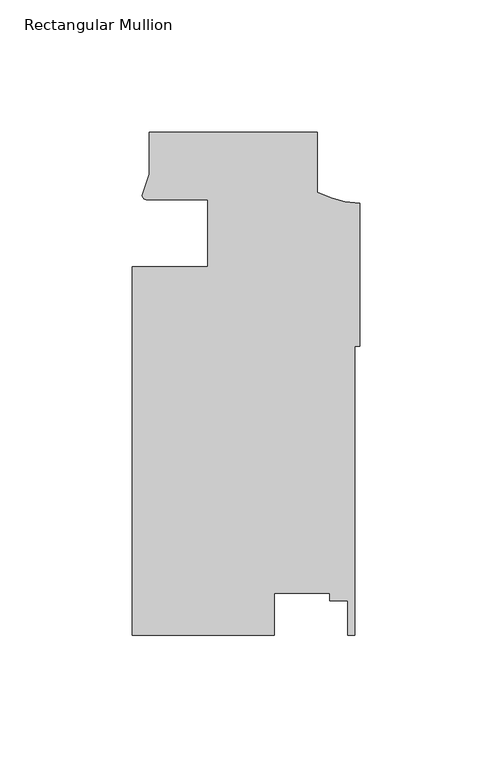
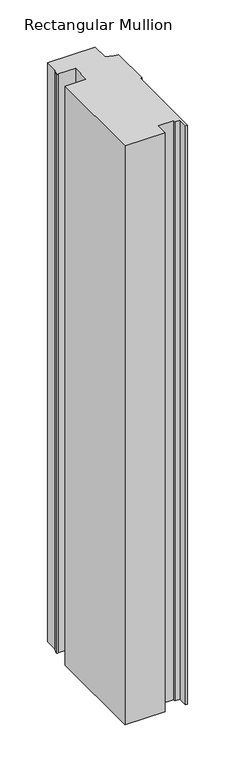
"""IFC4 building model written with IfcOpenShell, lengths in millimetres: member geometry, Rectangular Mullion."""

import ifcopenshell
import ifcopenshell.guid

model = None  # the IFC model being written
_history = None  # IfcOwnerHistory: only IFC2X3 demands one
_inside = {}  # id of a spatial element -> (the spatial element, [elements in it])
_under = {}  # id of a project, library or spatial element -> (it, [spatial elements below it])
_declared = {}  # id of a project -> (the project, [libraries it declares])
_typed = {}  # id of a type object -> (the type object, [elements of that type])
_made_of = {}  # id of a material, layer set ... -> (it, [elements and type objects made of it])


def new_model(schema):
    """Start an empty IFC model of exactly this schema.

    Asked for "IFC4X3", IfcOpenShell would pick the latest addendum, in which some entities
    have other attributes; the version numbers below select the first issue.
    IFC2X3 requires an IfcOwnerHistory on every rooted entity: one is made here for all.
    """
    global model, _history
    if schema == "IFC4X3":
        model = ifcopenshell.file(schema_version=(4, 3, 0, 0))
    else:
        model = ifcopenshell.file(schema=schema)
    _inside.clear()
    _under.clear()
    _declared.clear()
    _typed.clear()
    _made_of.clear()
    _history = None
    if model.schema == "IFC2X3":
        org = make("IfcOrganization", Name="unknown")
        user = make(
            "IfcPersonAndOrganization",
            ThePerson=make("IfcPerson", FamilyName="unknown"),
            TheOrganization=org,
        )
        app = make(
            "IfcApplication",
            ApplicationDeveloper=org,
            Version="unknown",
            ApplicationFullName="unknown",
            ApplicationIdentifier="unknown",
        )
        _history = make(
            "IfcOwnerHistory",
            OwningUser=user,
            OwningApplication=app,
            ChangeAction="ADDED",
            CreationDate=0,
        )
    return model


def make(cls, **values):
    """One entity of the class cls with the attributes given. An attribute that is None is left unset."""
    return model.create_entity(
        cls, **{name: value for name, value in values.items() if value is not None}
    )


def rooted(cls, **values):
    """An entity with a GlobalId (a new one), such as an element, a storey or a relation."""
    return make(cls, GlobalId=ifcopenshell.guid.new(), OwnerHistory=_history, **values)


def si_unit(unit_type, name, prefix=None):
    """IfcSIUnit, for example si_unit("LENGTHUNIT", "METRE", prefix="MILLI")."""
    return make("IfcSIUnit", UnitType=unit_type, Prefix=prefix, Name=name)


def assignment(units):
    """IfcUnitAssignment: the units of a project."""
    return None if units is None else make("IfcUnitAssignment", Units=units)


def point(xyz):
    """IfcCartesianPoint."""
    return None if xyz is None else make("IfcCartesianPoint", Coordinates=xyz)


def direction(xyz):
    """IfcDirection."""
    return None if xyz is None else make("IfcDirection", DirectionRatios=xyz)


def frame(location, z_axis=None, x_axis=None):
    """IfcAxis2Placement3D, a coordinate frame: its origin and axes. An axis left out is left unset."""
    return make(
        "IfcAxis2Placement3D",
        Location=point(location),
        Axis=direction(z_axis),
        RefDirection=direction(x_axis),
    )


def frame_2d(location, x_axis=None):
    """IfcAxis2Placement2D, a coordinate frame in the plane: its origin and x axis."""
    return make(
        "IfcAxis2Placement2D", Location=point(location), RefDirection=direction(x_axis)
    )


def origin():
    """The frame at (0, 0, 0) with its axes left unset."""
    return frame((0.0, 0.0, 0.0))


def place(relative_to, where):
    """IfcLocalPlacement: puts the frame where relative to a parent placement (None: the world)."""
    return make(
        "IfcLocalPlacement", PlacementRelTo=relative_to, RelativePlacement=where
    )


def context(
    kind, dimensions, precision=None, world=None, true_north=None, identifier=None
):
    """IfcGeometricRepresentationContext, for example the 3D "Model" context."""
    return make(
        "IfcGeometricRepresentationContext",
        ContextIdentifier=identifier,
        ContextType=kind,
        CoordinateSpaceDimension=dimensions,
        Precision=precision,
        WorldCoordinateSystem=world,
        TrueNorth=true_north,
    )


def project(units=None, contexts=None):
    """IfcProject with its units and contexts."""
    return rooted(
        "IfcProject",
        Name="project",
        RepresentationContexts=contexts,
        UnitsInContext=assignment(units),
    )


def spatial(cls, under=None, at=None, **own):
    """A site, building, storey or space (cls), placed at a placement, below another one or the project."""
    s = rooted(cls, ObjectPlacement=at, **own)
    if under is not None:
        _under.setdefault(under.id(), (under, []))[1].append(s)
    return s


def polyline(points):
    """IfcPolyline through the points."""
    return make("IfcPolyline", Points=[point(p) for p in points])


def circle_curve(where, radius):
    """IfcCircle in the frame where."""
    return make("IfcCircle", Position=where, Radius=radius)


def trimmed(basis, trim1, trim2, sense, master):
    """IfcTrimmedCurve: the piece of a basis curve between two trims."""
    return make(
        "IfcTrimmedCurve",
        BasisCurve=basis,
        Trim1=trim1,
        Trim2=trim2,
        SenseAgreement=sense,
        MasterRepresentation=master,
    )


def segment(curve, same_sense, transition):
    """IfcCompositeCurveSegment."""
    return make(
        "IfcCompositeCurveSegment",
        Transition=transition,
        SameSense=same_sense,
        ParentCurve=curve,
    )


def composite_curve(segments, self_intersect=None):
    """IfcCompositeCurve: segments joined end to end."""
    return make("IfcCompositeCurve", Segments=segments, SelfIntersect=self_intersect)


def outline(outer, holes=None, kind="AREA"):
    """IfcArbitraryClosedProfileDef: a profile drawn as a closed curve; with holes, ...WithVoids."""
    if holes is None:
        return make("IfcArbitraryClosedProfileDef", ProfileType=kind, OuterCurve=outer)
    return make(
        "IfcArbitraryProfileDefWithVoids",
        ProfileType=kind,
        OuterCurve=outer,
        InnerCurves=holes,
    )


def extrude(swept, where, along, depth):
    """IfcExtrudedAreaSolid: the profile swept, set in the frame where, extruded along a direction by depth."""
    return make(
        "IfcExtrudedAreaSolid",
        SweptArea=swept,
        Position=where,
        ExtrudedDirection=direction(along),
        Depth=depth,
    )


def shape(context_of_items, identifier, shape_type, items):
    """IfcShapeRepresentation: the items that make up one representation, for example the "Body"."""
    return make(
        "IfcShapeRepresentation",
        ContextOfItems=context_of_items,
        RepresentationIdentifier=identifier,
        RepresentationType=shape_type,
        Items=items,
    )


def source(mapping_origin, context_of_items, identifier, shape_type, items):
    """IfcRepresentationMap: a shape defined once, which mapped items show again and again."""
    return make(
        "IfcRepresentationMap",
        MappingOrigin=mapping_origin,
        MappedRepresentation=shape(context_of_items, identifier, shape_type, items),
    )


def transform(
    local_origin,
    x_axis=None,
    y_axis=None,
    z_axis=None,
    scale=None,
    scale2=None,
    scale3=None,
    uniform=True,
):
    """IfcCartesianTransformationOperator3D, or its non-uniform kind. x_axis, y_axis, z_axis: its Axis1, 2, 3."""
    if uniform:
        return make(
            "IfcCartesianTransformationOperator3D",
            Axis1=direction(x_axis),
            Axis2=direction(y_axis),
            LocalOrigin=point(local_origin),
            Scale=scale,
            Axis3=direction(z_axis),
        )
    return make(
        "IfcCartesianTransformationOperator3DnonUniform",
        Axis1=direction(x_axis),
        Axis2=direction(y_axis),
        LocalOrigin=point(local_origin),
        Scale=scale,
        Axis3=direction(z_axis),
        Scale2=scale2,
        Scale3=scale3,
    )


def mapped(mapping_source, mapping_target):
    """IfcMappedItem: shows the shape of a source again, moved by a transform."""
    return make(
        "IfcMappedItem", MappingSource=mapping_source, MappingTarget=mapping_target
    )


def made_of(thing, what):
    """Note that an element or type object is made of a material, layer set ...; save() writes the relation."""
    if what is not None:
        _made_of.setdefault(what.id(), (what, []))[1].append(thing)
    return thing


def element(
    cls,
    number,
    at=None,
    inside=None,
    cuts=None,
    type_object=None,
    material=None,
    context=None,
    identifier="Body",
    shape_type=None,
    held_by="IfcProductDefinitionShape",
    body=None,
    shapes=None,
    **own,
):
    """One element of the class cls, such as IfcWall. Its Tag is "e" and its number.

    at: its placement. inside: the storey or other place that contains it. cuts: it is an
    opening in that element (IfcRelVoidsElement). A single representation is given by context,
    identifier, shape_type and body (its items); several are given by shapes. held_by: the class
    of the entity that holds the representations. save() writes the other relations.
    """
    e = rooted(cls, Tag="e%d" % number, ObjectPlacement=at, **own)
    if body is not None:
        shapes = [shape(context, identifier, shape_type, body)]
    if shapes is not None:
        e.Representation = make(held_by, Representations=shapes)
    if inside is not None:
        _inside.setdefault(inside.id(), (inside, []))[1].append(e)
    if cuts is not None:
        rooted(
            "IfcRelVoidsElement", RelatingBuildingElement=cuts, RelatedOpeningElement=e
        )
    if type_object is not None:
        _typed.setdefault(type_object.id(), (type_object, []))[1].append(e)
    return made_of(e, material)


def aggregate(whole, parts):
    """IfcRelAggregates: a whole, such as a stair, and the parts it consists of."""
    return rooted("IfcRelAggregates", RelatingObject=whole, RelatedObjects=parts)


def save(model, path):
    """Write the relations noted so far, then the file.

    IfcRelAggregates (storeys below a building ...), IfcRelContainedInSpatialStructure (elements
    in a storey), IfcRelDefinesByType, IfcRelAssociatesMaterial and IfcRelDeclares: one each for
    every whole, place, type object, material and project.
    """
    for whole, parts in _under.values():
        aggregate(whole, parts)
    for where, things in _inside.values():
        rooted(
            "IfcRelContainedInSpatialStructure",
            RelatedElements=things,
            RelatingStructure=where,
        )
    for kind, things in _typed.values():
        rooted("IfcRelDefinesByType", RelatedObjects=things, RelatingType=kind)
    for what, things in _made_of.values():
        rooted("IfcRelAssociatesMaterial", RelatedObjects=things, RelatingMaterial=what)
    for by, libraries in _declared.values():
        rooted("IfcRelDeclares", RelatingContext=by, RelatedDefinitions=libraries)
    model.write(path)


def rectangular_mullion_a5c0188d(model_context):
    return source(origin(), model_context, "Body", "SweptSolid", [
        extrude(outline(composite_curve([segment(polyline([(-85.8370969, -12.7004525), (-57.2620969, -12.6998707), (-57.2620969, 12.3823673)]), True, "CONTINUOUS"), segment(trimmed(circle_curve(frame_2d((-75.1863451, -448.3078197)), 461.0387479), [point((-57.2620969, 12.3823673))], [point((-80.5212257, 12.700061))], True, "CARTESIAN"), True, "CONTINUOUS"), segment(trimmed(circle_curve(frame_2d((-80.4383342, 14.401412)), 1.703369), [point((-80.5212257, 12.700061))], [point((-82.1379521, 14.2884292))], False, "CARTESIAN"), True, "CONTINUOUS"), segment(polyline([(-82.1379521, 14.2884292), (-79.4870969, 22.2250977), (-79.4870969, 38.1), (-15.9870969, 38.1), (-15.9870969, 15.5622869)]), True, "CONTINUOUS"), segment(trimmed(circle_curve(frame_2d((1.9614918, 50.6808025)), 39.4393455), [point((-15.9870969, 15.5622869))], [point((0.0, 11.290264))], True, "CARTESIAN"), True, "CONTINUOUS"), segment(polyline([(0.0, 11.290264), (0.0, -42.740266), (-1.8773984, -42.740266), (-1.8773984, -151.892), (-4.4173983, -151.892), (-4.4173983, -138.8482008), (-11.275398, -138.8482008), (-11.275398, -135.9935955), (-32.2220472, -135.9935955), (-32.2220472, -151.892), (-85.8370969, -151.892), (-85.8370969, -12.7004525)]), True, "CONTINUOUS")], self_intersect=False)), frame((0.0, 0.0, -819.1499939), z_axis=(0.0, 0.0, 1.0), x_axis=(1.0, 0.0, 0.0)), (0.0, 0.0, 1.0), 819.1499939),
    ])


if __name__ == "__main__":
    model = new_model("IFC4")
    model_context = context("Model", 3, world=origin())
    ifc_project = project(units=[si_unit("LENGTHUNIT", "METRE", prefix="MILLI")], contexts=[model_context])
    site = spatial("IfcSite", under=ifc_project)
    building = spatial("IfcBuilding", under=site)
    placement = place(None, origin())
    rectangular_mullion_shape = rectangular_mullion_a5c0188d(model_context)
    element("IfcMember", 1, ObjectType="Rectangular Mullion", at=placement, inside=building, context=model_context, shape_type="MappedRepresentation", body=[
        mapped(rectangular_mullion_shape, transform((0.0, 0.0, 0.0), x_axis=(1.0, 0.0, 0.0), y_axis=(0.0, 1.0, 0.0), z_axis=(0.0, 0.0, 1.0))),
    ])
    save(model, "model.ifc")
